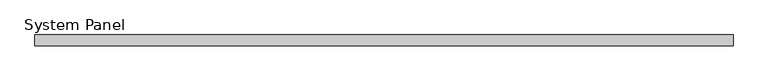
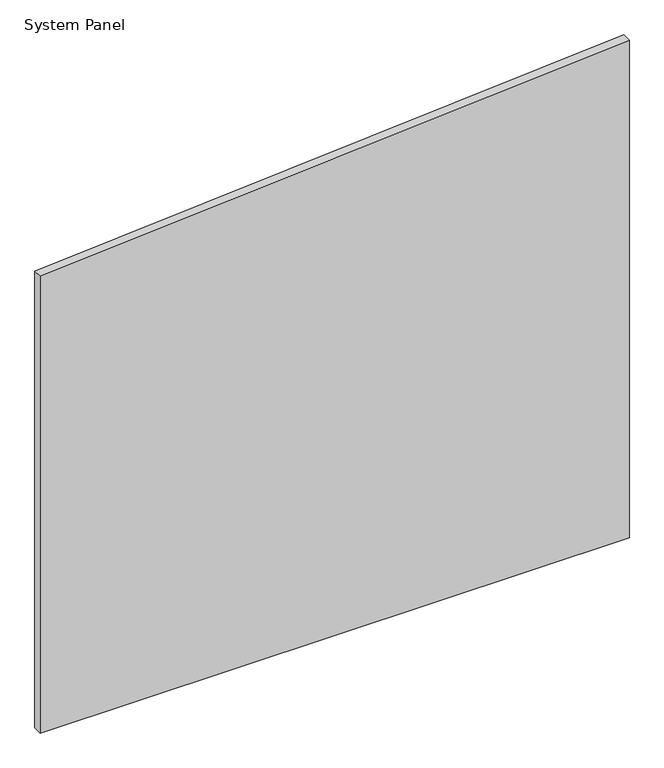
"""IFC4 building model written with IfcOpenShell, lengths in millimetres: plate geometry, System Panel."""

from ifc_helpers import new_model, si_unit, frame, origin, place, context, project, spatial, polyline, outline, extrude, source, transform, mapped, element, save


def system_panel_bfe95834(model_context):
    return source(origin(), model_context, "Body", "SweptSolid", [
        extrude(outline(polyline([(0.0, -652.1568387), (0.0, 652.1568387), (1164.6296336, 652.1568387), (1068.6258431, -652.1568387), (0.0, -652.1568387)])), frame((0.0, -10.0, 0.0), z_axis=(0.0, 1.0, 0.0), x_axis=(0.0, 0.0, 1.0)), (0.0, 0.0, 1.0), 20.0),
    ])


if __name__ == "__main__":
    model = new_model("IFC4")
    model_context = context("Model", 3, world=origin())
    ifc_project = project(units=[si_unit("LENGTHUNIT", "METRE", prefix="MILLI")], contexts=[model_context])
    site = spatial("IfcSite", under=ifc_project)
    building = spatial("IfcBuilding", under=site)
    placement = place(None, origin())
    system_panel_shape = system_panel_bfe95834(model_context)
    element("IfcPlate", 1, ObjectType="System Panel", at=placement, inside=building, context=model_context, shape_type="MappedRepresentation", body=[
        mapped(system_panel_shape, transform((0.0, 0.0, 0.0), x_axis=(1.0, 0.0, 0.0), y_axis=(0.0, 1.0, 0.0), z_axis=(0.0, 0.0, 1.0))),
    ])
    save(model, "model.ifc")
